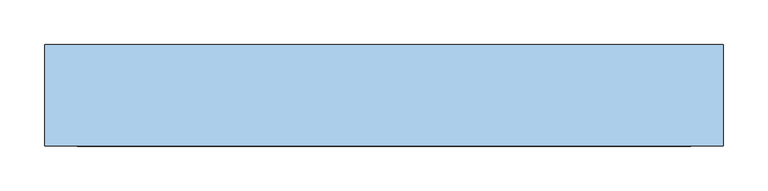
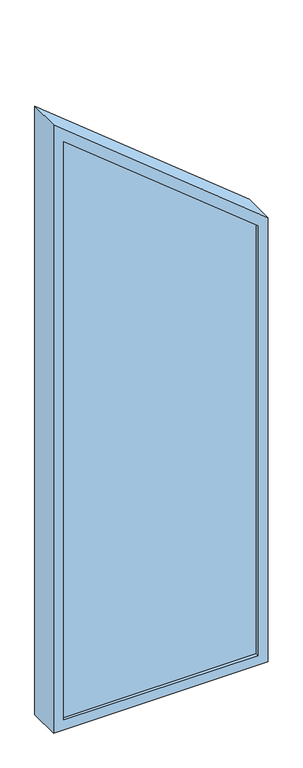
"""IFC4 building model written with IfcOpenShell, lengths in millimetres: window geometry."""

import ifcopenshell
import ifcopenshell.guid

model = None  # the IFC model being written
_history = None  # IfcOwnerHistory: only IFC2X3 demands one
_inside = {}  # id of a spatial element -> (the spatial element, [elements in it])
_under = {}  # id of a project, library or spatial element -> (it, [spatial elements below it])
_declared = {}  # id of a project -> (the project, [libraries it declares])
_typed = {}  # id of a type object -> (the type object, [elements of that type])
_made_of = {}  # id of a material, layer set ... -> (it, [elements and type objects made of it])


def new_model(schema):
    """Start an empty IFC model of exactly this schema.

    Asked for "IFC4X3", IfcOpenShell would pick the latest addendum, in which some entities
    have other attributes; the version numbers below select the first issue.
    IFC2X3 requires an IfcOwnerHistory on every rooted entity: one is made here for all.
    """
    global model, _history
    if schema == "IFC4X3":
        model = ifcopenshell.file(schema_version=(4, 3, 0, 0))
    else:
        model = ifcopenshell.file(schema=schema)
    _inside.clear()
    _under.clear()
    _declared.clear()
    _typed.clear()
    _made_of.clear()
    _history = None
    if model.schema == "IFC2X3":
        org = make("IfcOrganization", Name="unknown")
        user = make(
            "IfcPersonAndOrganization",
            ThePerson=make("IfcPerson", FamilyName="unknown"),
            TheOrganization=org,
        )
        app = make(
            "IfcApplication",
            ApplicationDeveloper=org,
            Version="unknown",
            ApplicationFullName="unknown",
            ApplicationIdentifier="unknown",
        )
        _history = make(
            "IfcOwnerHistory",
            OwningUser=user,
            OwningApplication=app,
            ChangeAction="ADDED",
            CreationDate=0,
        )
    return model


def make(cls, **values):
    """One entity of the class cls with the attributes given. An attribute that is None is left unset."""
    return model.create_entity(
        cls, **{name: value for name, value in values.items() if value is not None}
    )


def rooted(cls, **values):
    """An entity with a GlobalId (a new one), such as an element, a storey or a relation."""
    return make(cls, GlobalId=ifcopenshell.guid.new(), OwnerHistory=_history, **values)


def si_unit(unit_type, name, prefix=None):
    """IfcSIUnit, for example si_unit("LENGTHUNIT", "METRE", prefix="MILLI")."""
    return make("IfcSIUnit", UnitType=unit_type, Prefix=prefix, Name=name)


def assignment(units):
    """IfcUnitAssignment: the units of a project."""
    return None if units is None else make("IfcUnitAssignment", Units=units)


def point(xyz):
    """IfcCartesianPoint."""
    return None if xyz is None else make("IfcCartesianPoint", Coordinates=xyz)


def direction(xyz):
    """IfcDirection."""
    return None if xyz is None else make("IfcDirection", DirectionRatios=xyz)


def frame(location, z_axis=None, x_axis=None):
    """IfcAxis2Placement3D, a coordinate frame: its origin and axes. An axis left out is left unset."""
    return make(
        "IfcAxis2Placement3D",
        Location=point(location),
        Axis=direction(z_axis),
        RefDirection=direction(x_axis),
    )


def origin():
    """The frame at (0, 0, 0) with its axes left unset."""
    return frame((0.0, 0.0, 0.0))


def place(relative_to, where):
    """IfcLocalPlacement: puts the frame where relative to a parent placement (None: the world)."""
    return make(
        "IfcLocalPlacement", PlacementRelTo=relative_to, RelativePlacement=where
    )


def context(
    kind, dimensions, precision=None, world=None, true_north=None, identifier=None
):
    """IfcGeometricRepresentationContext, for example the 3D "Model" context."""
    return make(
        "IfcGeometricRepresentationContext",
        ContextIdentifier=identifier,
        ContextType=kind,
        CoordinateSpaceDimension=dimensions,
        Precision=precision,
        WorldCoordinateSystem=world,
        TrueNorth=true_north,
    )


def project(units=None, contexts=None):
    """IfcProject with its units and contexts."""
    return rooted(
        "IfcProject",
        Name="project",
        RepresentationContexts=contexts,
        UnitsInContext=assignment(units),
    )


def spatial(cls, under=None, at=None, **own):
    """A site, building, storey or space (cls), placed at a placement, below another one or the project."""
    s = rooted(cls, ObjectPlacement=at, **own)
    if under is not None:
        _under.setdefault(under.id(), (under, []))[1].append(s)
    return s


def polyline(points):
    """IfcPolyline through the points."""
    return make("IfcPolyline", Points=[point(p) for p in points])


def outline(outer, holes=None, kind="AREA"):
    """IfcArbitraryClosedProfileDef: a profile drawn as a closed curve; with holes, ...WithVoids."""
    if holes is None:
        return make("IfcArbitraryClosedProfileDef", ProfileType=kind, OuterCurve=outer)
    return make(
        "IfcArbitraryProfileDefWithVoids",
        ProfileType=kind,
        OuterCurve=outer,
        InnerCurves=holes,
    )


def extrude(swept, where, along, depth):
    """IfcExtrudedAreaSolid: the profile swept, set in the frame where, extruded along a direction by depth."""
    return make(
        "IfcExtrudedAreaSolid",
        SweptArea=swept,
        Position=where,
        ExtrudedDirection=direction(along),
        Depth=depth,
    )


def faces_of(points, faces, orient=None, outer=None):
    """IfcFace entities. A face is a list of loops; a loop is a list of indices into points, from 0.

    orient and outer hold one flag for each loop. By default every Orientation is true, the
    first loop of a face is its IfcFaceOuterBound and the others are IfcFaceBound.
    """
    made = []
    for i, loops in enumerate(faces):
        bounds = []
        for j, loop in enumerate(loops):
            is_outer = j == 0 if outer is None else outer[i][j]
            bounds.append(
                make(
                    "IfcFaceOuterBound" if is_outer else "IfcFaceBound",
                    Bound=make("IfcPolyLoop", Polygon=[points[k] for k in loop]),
                    Orientation=True if orient is None else orient[i][j],
                )
            )
        made.append(make("IfcFace", Bounds=bounds))
    return made


def faceted_brep(points, faces, orient=None, outer=None, voids=None):
    """IfcFacetedBrep: a solid bounded by flat faces; with voids (closed shells), ...WithVoids."""
    shared = [point(p) for p in points]
    hull = make("IfcClosedShell", CfsFaces=faces_of(shared, faces, orient, outer))
    if voids is None:
        return make("IfcFacetedBrep", Outer=hull)
    return make(
        "IfcFacetedBrepWithVoids",
        Outer=hull,
        Voids=[
            make(cls, CfsFaces=faces_of(shared, fs, o, b)) for cls, fs, o, b in voids
        ],
    )


def shape(context_of_items, identifier, shape_type, items):
    """IfcShapeRepresentation: the items that make up one representation, for example the "Body"."""
    return make(
        "IfcShapeRepresentation",
        ContextOfItems=context_of_items,
        RepresentationIdentifier=identifier,
        RepresentationType=shape_type,
        Items=items,
    )


def source(mapping_origin, context_of_items, identifier, shape_type, items):
    """IfcRepresentationMap: a shape defined once, which mapped items show again and again."""
    return make(
        "IfcRepresentationMap",
        MappingOrigin=mapping_origin,
        MappedRepresentation=shape(context_of_items, identifier, shape_type, items),
    )


def transform(
    local_origin,
    x_axis=None,
    y_axis=None,
    z_axis=None,
    scale=None,
    scale2=None,
    scale3=None,
    uniform=True,
):
    """IfcCartesianTransformationOperator3D, or its non-uniform kind. x_axis, y_axis, z_axis: its Axis1, 2, 3."""
    if uniform:
        return make(
            "IfcCartesianTransformationOperator3D",
            Axis1=direction(x_axis),
            Axis2=direction(y_axis),
            LocalOrigin=point(local_origin),
            Scale=scale,
            Axis3=direction(z_axis),
        )
    return make(
        "IfcCartesianTransformationOperator3DnonUniform",
        Axis1=direction(x_axis),
        Axis2=direction(y_axis),
        LocalOrigin=point(local_origin),
        Scale=scale,
        Axis3=direction(z_axis),
        Scale2=scale2,
        Scale3=scale3,
    )


def mapped(mapping_source, mapping_target):
    """IfcMappedItem: shows the shape of a source again, moved by a transform."""
    return make(
        "IfcMappedItem", MappingSource=mapping_source, MappingTarget=mapping_target
    )


def made_of(thing, what):
    """Note that an element or type object is made of a material, layer set ...; save() writes the relation."""
    if what is not None:
        _made_of.setdefault(what.id(), (what, []))[1].append(thing)
    return thing


def element(
    cls,
    number,
    at=None,
    inside=None,
    cuts=None,
    type_object=None,
    material=None,
    context=None,
    identifier="Body",
    shape_type=None,
    held_by="IfcProductDefinitionShape",
    body=None,
    shapes=None,
    **own,
):
    """One element of the class cls, such as IfcWall. Its Tag is "e" and its number.

    at: its placement. inside: the storey or other place that contains it. cuts: it is an
    opening in that element (IfcRelVoidsElement). A single representation is given by context,
    identifier, shape_type and body (its items); several are given by shapes. held_by: the class
    of the entity that holds the representations. save() writes the other relations.
    """
    e = rooted(cls, Tag="e%d" % number, ObjectPlacement=at, **own)
    if body is not None:
        shapes = [shape(context, identifier, shape_type, body)]
    if shapes is not None:
        e.Representation = make(held_by, Representations=shapes)
    if inside is not None:
        _inside.setdefault(inside.id(), (inside, []))[1].append(e)
    if cuts is not None:
        rooted(
            "IfcRelVoidsElement", RelatingBuildingElement=cuts, RelatedOpeningElement=e
        )
    if type_object is not None:
        _typed.setdefault(type_object.id(), (type_object, []))[1].append(e)
    return made_of(e, material)


def aggregate(whole, parts):
    """IfcRelAggregates: a whole, such as a stair, and the parts it consists of."""
    return rooted("IfcRelAggregates", RelatingObject=whole, RelatedObjects=parts)


def save(model, path):
    """Write the relations noted so far, then the file.

    IfcRelAggregates (storeys below a building ...), IfcRelContainedInSpatialStructure (elements
    in a storey), IfcRelDefinesByType, IfcRelAssociatesMaterial and IfcRelDeclares: one each for
    every whole, place, type object, material and project.
    """
    for whole, parts in _under.values():
        aggregate(whole, parts)
    for where, things in _inside.values():
        rooted(
            "IfcRelContainedInSpatialStructure",
            RelatedElements=things,
            RelatingStructure=where,
        )
    for kind, things in _typed.values():
        rooted("IfcRelDefinesByType", RelatedObjects=things, RelatingType=kind)
    for what, things in _made_of.values():
        rooted("IfcRelAssociatesMaterial", RelatedObjects=things, RelatingMaterial=what)
    for by, libraries in _declared.values():
        rooted("IfcRelDeclares", RelatingContext=by, RelatedDefinitions=libraries)
    model.write(path)


def window_d32373dc(model_context):
    return source(origin(), model_context, "Body", "SolidModel", [
        faceted_brep([(-457.15, -38.08125, 157.45), (304.75, -38.08125, 157.45), (304.75, -152.3622, 157.45), (-457.15, -152.3622, 157.45), (-420.6248, -111.10625, 193.9752), (268.2248, -111.10625, 193.9752), (268.2248, -38.08125, 193.9752), (-420.6248, -38.08125, 193.9752), (-442.8498, -141.2878, 171.7502), (290.4498, -141.2878, 171.7502), (290.4498, -111.10625, 171.7502), (-442.8498, -111.10625, 171.7502), (-420.6248, -152.3622, 193.9752), (268.2248, -152.3622, 193.9752), (268.2248, -141.2878, 193.9752), (-420.6248, -141.2878, 193.9752), (304.75, -38.08125, 1822.305752), (304.75, -152.3622, 1822.305752), (268.2248, -111.10625, 1804.8684723), (268.2248, -38.08125, 1804.8684723), (290.4498, -141.2878, 1815.4787781), (290.4498, -111.10625, 1815.4787781), (268.2248, -152.3622, 1804.8684723), (268.2248, -141.2878, 1804.8684723), (-457.15, -38.08125, 2438.4), (-457.15, -152.3622, 2438.4), (-420.6248, -111.10625, 2361.8920664), (-420.6248, -38.08125, 2361.8920664), (-442.8498, -141.2878, 2408.4459203), (-442.8498, -111.10625, 2408.4459203), (-420.6248, -152.3622, 2361.8920664), (-420.6248, -141.2878, 2361.8920664)], [[[0, 1, 2, 3]], [[4, 5, 6, 7]], [[8, 9, 10, 11]], [[12, 13, 14, 15]], [[1, 16, 17, 2]], [[5, 18, 19, 6]], [[9, 20, 21, 10]], [[13, 22, 23, 14]], [[24, 0, 3, 25]], [[26, 4, 7, 27]], [[28, 8, 11, 29]], [[30, 12, 15, 31]], [[16, 24, 25, 17]], [[16, 1, 0, 24], [27, 7, 6, 19]], [[18, 26, 27, 19]], [[29, 11, 10, 21], [18, 5, 4, 26]], [[20, 28, 29, 21]], [[20, 9, 8, 28], [31, 15, 14, 23]], [[22, 30, 31, 23]], [[25, 3, 2, 17], [22, 13, 12, 30]]]),
        extrude(outline(polyline([(1813.9690832, 287.2875), (2401.8219719, -439.6875), (174.9125, -439.6875), (174.9125, 287.2875), (1813.9690832, 287.2875)])), frame((0.0, -123.03155, 0.0), z_axis=(0.0, 1.0, 0.0), x_axis=(0.0, 0.0, 1.0)), (0.0, 0.0, 1.0), 5.55625),
        extrude(outline(polyline([(1813.9690832, 287.2875), (2401.8219719, -439.6875), (174.9125, -439.6875), (174.9125, 287.2875), (1813.9690832, 287.2875)])), frame((0.0, -141.2878, 0.0), z_axis=(0.0, 1.0, 0.0), x_axis=(0.0, 0.0, 1.0)), (0.0, 0.0, 1.0), 5.55625),
    ])


if __name__ == "__main__":
    model = new_model("IFC4")
    model_context = context("Model", 3, world=origin())
    ifc_project = project(units=[si_unit("LENGTHUNIT", "METRE", prefix="MILLI")], contexts=[model_context])
    site = spatial("IfcSite", under=ifc_project)
    building = spatial("IfcBuilding", under=site)
    placement = place(None, origin())
    window_shape = window_d32373dc(model_context)
    element("IfcWindow", 1, at=placement, inside=building, context=model_context, shape_type="MappedRepresentation", body=[
        mapped(window_shape, transform((0.0, 0.0, 0.0), x_axis=(1.0, 0.0, 0.0), y_axis=(0.0, 1.0, 0.0), z_axis=(0.0, 0.0, 1.0))),
    ])
    save(model, "model.ifc")
